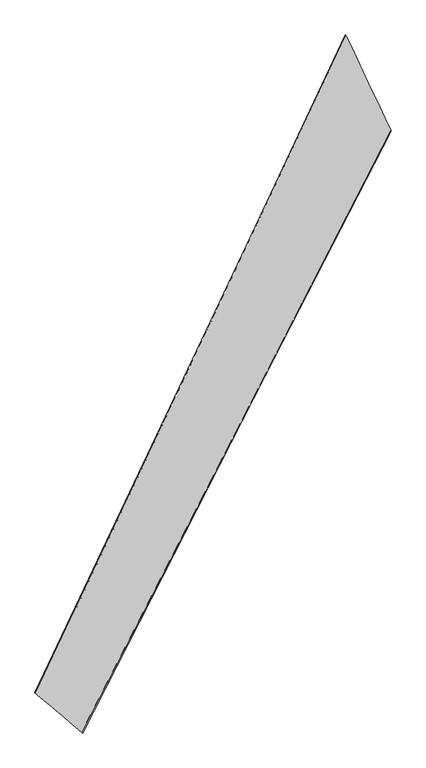
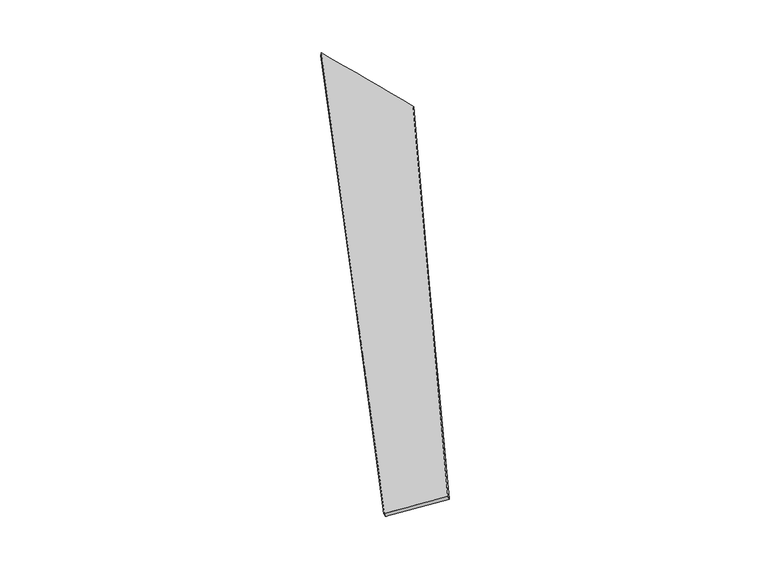
"""IFC4 building model written with IfcOpenShell, lengths in millimetres: proxy geometry."""

from ifc_helpers import new_model, si_unit, origin, place, context, project, spatial, source, transform, mapped, element, save
from ifc_brep_helpers import spline_surface, advanced_brep


def generic_models_e65c6bf3(model_context):
    return source(origin(), model_context, "Body", "AdvancedBrep", [
        advanced_brep(
        [(-979.5715619, -2481.5812902, 112.6726272), (-969.0318941, -2488.1180726, 85.3562241), (1488.7119774, 2324.4242534, -110.7133289), (1495.8607992, 2321.9146889, -81.6858173), (-1340.3069572, -2169.4989948, -134.6879677), (1130.5481072, 3088.0477119, 47.347913), (-1352.3135303, -2164.7577997, -107.607287), (1136.0242931, 3084.4244009, 76.620477)],
        [
            (0, 1),
            (1, 2),
            (2, 3),
            (3, 0),
            (1, 4),
            (4, 5),
            (5, 2),
            (4, 6),
            (6, 7),
            (7, 5),
            (6, 0),
            (3, 7),
        ],
        [
            spline_surface(1, 1, [[(-979.5715619, -2481.5812902, 112.6726272), (1495.8607992, 2321.9146889, -81.6858173)], [(-969.0318941, -2488.1180726, 85.3562241), (1488.7119774, 2324.4242534, -110.7133289)]], [2, 2], [2, 2], [0.0, 1.0], [0.0, 1.0]),
            spline_surface(1, 1, [[(-969.0318941, -2488.1180726, 85.3562241), (1488.7119774, 2324.4242534, -110.7133289)], [(-1340.3069572, -2169.4989948, -134.6879677), (1130.5481072, 3088.0477119, 47.347913)]], [2, 2], [2, 2], [0.0, 1.0], [0.0, 1.0]),
            spline_surface(1, 1, [[(-1340.3069572, -2169.4989948, -134.6879677), (1130.5481072, 3088.0477119, 47.347913)], [(-1352.3135303, -2164.7577997, -107.607287), (1136.0242931, 3084.4244009, 76.620477)]], [2, 2], [2, 2], [0.0, 1.0], [0.0, 1.0]),
            spline_surface(1, 1, [[(-1352.3135303, -2164.7577997, -107.607287), (1136.0242931, 3084.4244009, 76.620477)], [(-979.5715619, -2481.5812902, 112.6726272), (1495.8607992, 2321.9146889, -81.6858173)]], [2, 2], [2, 2], [0.0, 1.0], [0.0, 1.0]),
            spline_surface(1, 1, [[(1488.7119774, 2324.4242534, -110.7133289), (1495.8607992, 2321.9146889, -81.6858173)], [(1130.5481072, 3088.0477119, 47.347913), (1136.0242931, 3084.4244009, 76.620477)]], [2, 2], [2, 2], [0.0, 1.0], [0.0, 1.0]),
            spline_surface(1, 1, [[(-1352.3135303, -2164.7577997, -107.607287), (-979.5715619, -2481.5812902, 112.6726272)], [(-1340.3069572, -2169.4989948, -134.6879677), (-969.0318941, -2488.1180726, 85.3562241)]], [2, 2], [2, 2], [0.0, 1.0], [0.0, 1.0]),
        ],
        [
            (0, [[1, 2, 3, 4]]),
            (1, [[5, 6, 7, -2]]),
            (2, [[8, 9, 10, -6]]),
            (3, [[11, -4, 12, -9]]),
            (4, [[-3, -7, -10, -12]]),
            (5, [[-11, -8, -5, -1]]),
        ],
    ),
    ])


if __name__ == "__main__":
    model = new_model("IFC4")
    model_context = context("Model", 3, world=origin())
    ifc_project = project(units=[si_unit("LENGTHUNIT", "METRE", prefix="MILLI")], contexts=[model_context])
    site = spatial("IfcSite", under=ifc_project)
    building = spatial("IfcBuilding", under=site)
    placement = place(None, origin())
    generic_models_shape = generic_models_e65c6bf3(model_context)
    element("IfcBuildingElementProxy", 1, Name="Generic Models", at=placement, inside=building, context=model_context, shape_type="MappedRepresentation", body=[
        mapped(generic_models_shape, transform((0.0, 0.0, 0.0), x_axis=(1.0, 0.0, 0.0), y_axis=(0.0, 1.0, 0.0), z_axis=(0.0, 0.0, 1.0))),
    ])
    save(model, "model.ifc")
